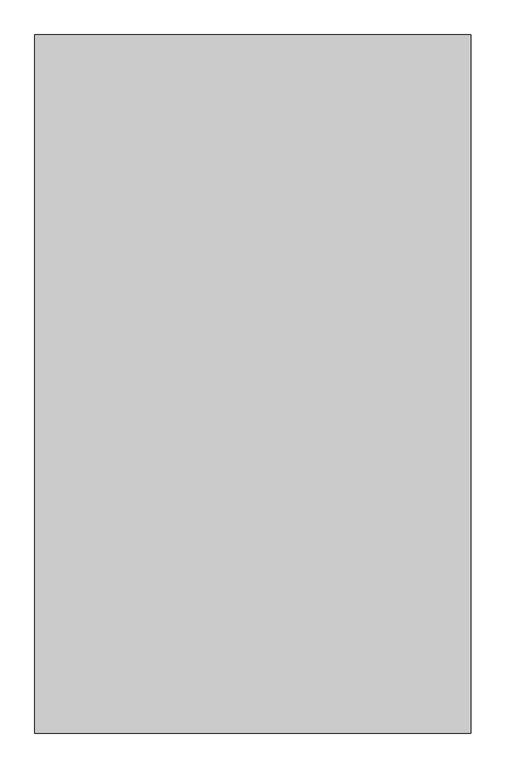
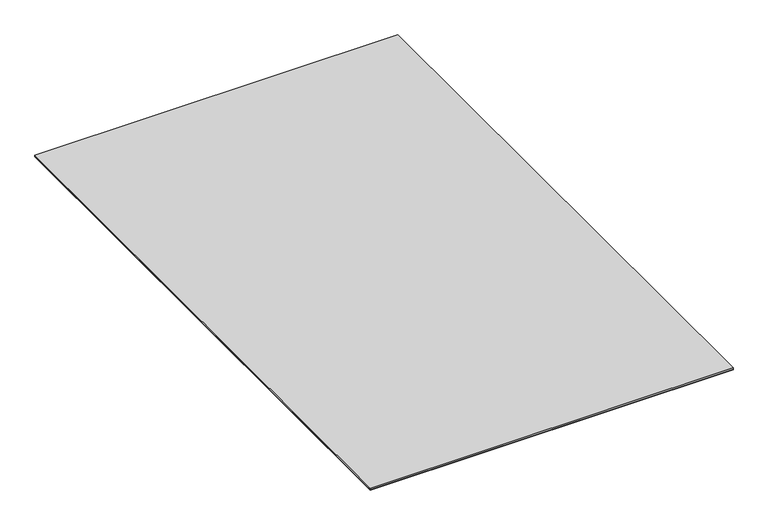
"""IFC4 building model written with IfcOpenShell, lengths in millimetres: proxy geometry."""

import ifcopenshell
import ifcopenshell.guid

model = None  # the IFC model being written
_history = None  # IfcOwnerHistory: only IFC2X3 demands one
_inside = {}  # id of a spatial element -> (the spatial element, [elements in it])
_under = {}  # id of a project, library or spatial element -> (it, [spatial elements below it])
_declared = {}  # id of a project -> (the project, [libraries it declares])
_typed = {}  # id of a type object -> (the type object, [elements of that type])
_made_of = {}  # id of a material, layer set ... -> (it, [elements and type objects made of it])


def new_model(schema):
    """Start an empty IFC model of exactly this schema.

    Asked for "IFC4X3", IfcOpenShell would pick the latest addendum, in which some entities
    have other attributes; the version numbers below select the first issue.
    IFC2X3 requires an IfcOwnerHistory on every rooted entity: one is made here for all.
    """
    global model, _history
    if schema == "IFC4X3":
        model = ifcopenshell.file(schema_version=(4, 3, 0, 0))
    else:
        model = ifcopenshell.file(schema=schema)
    _inside.clear()
    _under.clear()
    _declared.clear()
    _typed.clear()
    _made_of.clear()
    _history = None
    if model.schema == "IFC2X3":
        org = make("IfcOrganization", Name="unknown")
        user = make(
            "IfcPersonAndOrganization",
            ThePerson=make("IfcPerson", FamilyName="unknown"),
            TheOrganization=org,
        )
        app = make(
            "IfcApplication",
            ApplicationDeveloper=org,
            Version="unknown",
            ApplicationFullName="unknown",
            ApplicationIdentifier="unknown",
        )
        _history = make(
            "IfcOwnerHistory",
            OwningUser=user,
            OwningApplication=app,
            ChangeAction="ADDED",
            CreationDate=0,
        )
    return model


def make(cls, **values):
    """One entity of the class cls with the attributes given. An attribute that is None is left unset."""
    return model.create_entity(
        cls, **{name: value for name, value in values.items() if value is not None}
    )


def rooted(cls, **values):
    """An entity with a GlobalId (a new one), such as an element, a storey or a relation."""
    return make(cls, GlobalId=ifcopenshell.guid.new(), OwnerHistory=_history, **values)


def si_unit(unit_type, name, prefix=None):
    """IfcSIUnit, for example si_unit("LENGTHUNIT", "METRE", prefix="MILLI")."""
    return make("IfcSIUnit", UnitType=unit_type, Prefix=prefix, Name=name)


def assignment(units):
    """IfcUnitAssignment: the units of a project."""
    return None if units is None else make("IfcUnitAssignment", Units=units)


def point(xyz):
    """IfcCartesianPoint."""
    return None if xyz is None else make("IfcCartesianPoint", Coordinates=xyz)


def direction(xyz):
    """IfcDirection."""
    return None if xyz is None else make("IfcDirection", DirectionRatios=xyz)


def frame(location, z_axis=None, x_axis=None):
    """IfcAxis2Placement3D, a coordinate frame: its origin and axes. An axis left out is left unset."""
    return make(
        "IfcAxis2Placement3D",
        Location=point(location),
        Axis=direction(z_axis),
        RefDirection=direction(x_axis),
    )


def origin():
    """The frame at (0, 0, 0) with its axes left unset."""
    return frame((0.0, 0.0, 0.0))


def origin_with_axes():
    """The frame at (0, 0, 0) with the z axis (0, 0, 1) and the x axis (1, 0, 0) written out."""
    return frame((0.0, 0.0, 0.0), z_axis=(0.0, 0.0, 1.0), x_axis=(1.0, 0.0, 0.0))


def place(relative_to, where):
    """IfcLocalPlacement: puts the frame where relative to a parent placement (None: the world)."""
    return make(
        "IfcLocalPlacement", PlacementRelTo=relative_to, RelativePlacement=where
    )


def context(
    kind, dimensions, precision=None, world=None, true_north=None, identifier=None
):
    """IfcGeometricRepresentationContext, for example the 3D "Model" context."""
    return make(
        "IfcGeometricRepresentationContext",
        ContextIdentifier=identifier,
        ContextType=kind,
        CoordinateSpaceDimension=dimensions,
        Precision=precision,
        WorldCoordinateSystem=world,
        TrueNorth=true_north,
    )


def project(units=None, contexts=None):
    """IfcProject with its units and contexts."""
    return rooted(
        "IfcProject",
        Name="project",
        RepresentationContexts=contexts,
        UnitsInContext=assignment(units),
    )


def spatial(cls, under=None, at=None, **own):
    """A site, building, storey or space (cls), placed at a placement, below another one or the project."""
    s = rooted(cls, ObjectPlacement=at, **own)
    if under is not None:
        _under.setdefault(under.id(), (under, []))[1].append(s)
    return s


def polyline(points):
    """IfcPolyline through the points."""
    return make("IfcPolyline", Points=[point(p) for p in points])


def outline(outer, holes=None, kind="AREA"):
    """IfcArbitraryClosedProfileDef: a profile drawn as a closed curve; with holes, ...WithVoids."""
    if holes is None:
        return make("IfcArbitraryClosedProfileDef", ProfileType=kind, OuterCurve=outer)
    return make(
        "IfcArbitraryProfileDefWithVoids",
        ProfileType=kind,
        OuterCurve=outer,
        InnerCurves=holes,
    )


def extrude(swept, where, along, depth):
    """IfcExtrudedAreaSolid: the profile swept, set in the frame where, extruded along a direction by depth."""
    return make(
        "IfcExtrudedAreaSolid",
        SweptArea=swept,
        Position=where,
        ExtrudedDirection=direction(along),
        Depth=depth,
    )


def shape(context_of_items, identifier, shape_type, items):
    """IfcShapeRepresentation: the items that make up one representation, for example the "Body"."""
    return make(
        "IfcShapeRepresentation",
        ContextOfItems=context_of_items,
        RepresentationIdentifier=identifier,
        RepresentationType=shape_type,
        Items=items,
    )


def source(mapping_origin, context_of_items, identifier, shape_type, items):
    """IfcRepresentationMap: a shape defined once, which mapped items show again and again."""
    return make(
        "IfcRepresentationMap",
        MappingOrigin=mapping_origin,
        MappedRepresentation=shape(context_of_items, identifier, shape_type, items),
    )


def transform(
    local_origin,
    x_axis=None,
    y_axis=None,
    z_axis=None,
    scale=None,
    scale2=None,
    scale3=None,
    uniform=True,
):
    """IfcCartesianTransformationOperator3D, or its non-uniform kind. x_axis, y_axis, z_axis: its Axis1, 2, 3."""
    if uniform:
        return make(
            "IfcCartesianTransformationOperator3D",
            Axis1=direction(x_axis),
            Axis2=direction(y_axis),
            LocalOrigin=point(local_origin),
            Scale=scale,
            Axis3=direction(z_axis),
        )
    return make(
        "IfcCartesianTransformationOperator3DnonUniform",
        Axis1=direction(x_axis),
        Axis2=direction(y_axis),
        LocalOrigin=point(local_origin),
        Scale=scale,
        Axis3=direction(z_axis),
        Scale2=scale2,
        Scale3=scale3,
    )


def mapped(mapping_source, mapping_target):
    """IfcMappedItem: shows the shape of a source again, moved by a transform."""
    return make(
        "IfcMappedItem", MappingSource=mapping_source, MappingTarget=mapping_target
    )


def made_of(thing, what):
    """Note that an element or type object is made of a material, layer set ...; save() writes the relation."""
    if what is not None:
        _made_of.setdefault(what.id(), (what, []))[1].append(thing)
    return thing


def element(
    cls,
    number,
    at=None,
    inside=None,
    cuts=None,
    type_object=None,
    material=None,
    context=None,
    identifier="Body",
    shape_type=None,
    held_by="IfcProductDefinitionShape",
    body=None,
    shapes=None,
    **own,
):
    """One element of the class cls, such as IfcWall. Its Tag is "e" and its number.

    at: its placement. inside: the storey or other place that contains it. cuts: it is an
    opening in that element (IfcRelVoidsElement). A single representation is given by context,
    identifier, shape_type and body (its items); several are given by shapes. held_by: the class
    of the entity that holds the representations. save() writes the other relations.
    """
    e = rooted(cls, Tag="e%d" % number, ObjectPlacement=at, **own)
    if body is not None:
        shapes = [shape(context, identifier, shape_type, body)]
    if shapes is not None:
        e.Representation = make(held_by, Representations=shapes)
    if inside is not None:
        _inside.setdefault(inside.id(), (inside, []))[1].append(e)
    if cuts is not None:
        rooted(
            "IfcRelVoidsElement", RelatingBuildingElement=cuts, RelatedOpeningElement=e
        )
    if type_object is not None:
        _typed.setdefault(type_object.id(), (type_object, []))[1].append(e)
    return made_of(e, material)


def aggregate(whole, parts):
    """IfcRelAggregates: a whole, such as a stair, and the parts it consists of."""
    return rooted("IfcRelAggregates", RelatingObject=whole, RelatedObjects=parts)


def save(model, path):
    """Write the relations noted so far, then the file.

    IfcRelAggregates (storeys below a building ...), IfcRelContainedInSpatialStructure (elements
    in a storey), IfcRelDefinesByType, IfcRelAssociatesMaterial and IfcRelDeclares: one each for
    every whole, place, type object, material and project.
    """
    for whole, parts in _under.values():
        aggregate(whole, parts)
    for where, things in _inside.values():
        rooted(
            "IfcRelContainedInSpatialStructure",
            RelatedElements=things,
            RelatingStructure=where,
        )
    for kind, things in _typed.values():
        rooted("IfcRelDefinesByType", RelatedObjects=things, RelatingType=kind)
    for what, things in _made_of.values():
        rooted("IfcRelAssociatesMaterial", RelatedObjects=things, RelatingMaterial=what)
    for by, libraries in _declared.values():
        rooted("IfcRelDeclares", RelatingContext=by, RelatedDefinitions=libraries)
    model.write(path)


def specialty_equipment_6297ecf2(model_context):
    return source(origin(), model_context, "Body", "SweptSolid", [
        extrude(outline(polyline([(762.0, -1219.2), (-762.0, -1219.2), (-762.0, 1219.2), (762.0, 1219.2), (762.0, -1219.2)])), frame((0.0, 0.0, 1.984375), z_axis=(0.0, 0.0, 1.0), x_axis=(1.0, 0.0, 0.0)), (0.0, 0.0, 1.0), 6.35),
        extrude(outline(polyline([(762.0, 1219.2), (762.0, -1219.2), (-762.0, -1219.2), (-762.0, 1219.2), (762.0, 1219.2)])), origin_with_axes(), (0.0, 0.0, 1.0), 1.984375),
    ])


if __name__ == "__main__":
    model = new_model("IFC4")
    model_context = context("Model", 3, world=origin())
    ifc_project = project(units=[si_unit("LENGTHUNIT", "METRE", prefix="MILLI")], contexts=[model_context])
    site = spatial("IfcSite", under=ifc_project)
    building = spatial("IfcBuilding", under=site)
    placement = place(None, origin())
    specialty_equipment_shape = specialty_equipment_6297ecf2(model_context)
    element("IfcBuildingElementProxy", 1, Name="Specialty Equipment", at=placement, inside=building, context=model_context, shape_type="MappedRepresentation", body=[
        mapped(specialty_equipment_shape, transform((0.0, 0.0, 0.0), x_axis=(1.0, 0.0, 0.0), y_axis=(0.0, 1.0, 0.0), z_axis=(0.0, 0.0, 1.0))),
    ])
    save(model, "model.ifc")
